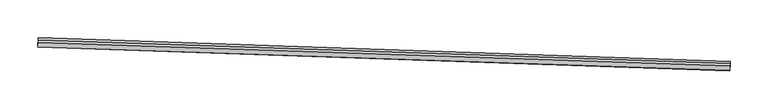
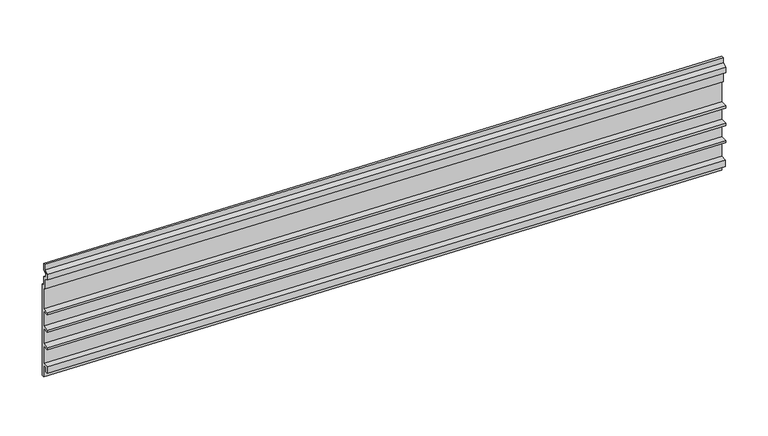
"""IFC4 building model written with IfcOpenShell, lengths in millimetres: proxy geometry."""

from ifc_helpers import new_model, si_unit, frame, origin, place, context, project, spatial, polyline, outline, extrude, source, transform, mapped, element, save


def generic_models_cd778c13(model_context):
    return source(origin(), model_context, "Body", "SweptSolid", [
        extrude(outline(polyline([(-3.1749999, 0.0), (0.0, 0.0), (0.0, 12.7), (5.4236225, 15.2290767), (5.4236225, 19.6959233), (0.0, 22.225), (0.0, 31.75), (3.175, 31.75), (3.175, 24.247698), (9.2139907, 21.4316705), (9.2139907, 13.4933295), (3.175, 10.6773019), (3.175, -3.175), (0.0, -3.175), (0.0, -34.13125), (9.525, -34.13125), (9.525, -37.30625), (0.0, -37.30625), (0.0, -59.53125), (9.525, -59.53125), (9.525, -62.70625), (0.0, -62.70625), (0.0, -84.93125), (9.525, -84.93125), (9.525, -88.10625), (0.0, -88.10625), (0.0, -113.50625), (8.8104385, -113.50625), (8.8104385, -123.03125), (4.9129906, -123.03125), (4.9129906, -116.68125), (0.0, -116.68125), (0.0, -133.35), (-3.1749999, -133.35), (-3.1749999, 0.0)])), frame((34376.7362962, -14832.2247215, 3403.6069019), z_axis=(-0.9994149479166007, 0.03420178183747702, 0.0), x_axis=(-0.03420178183747702, -0.9994149479166007, 0.0)), (0.0, 0.0, 1.0), 914.4),
    ])


if __name__ == "__main__":
    model = new_model("IFC4")
    model_context = context("Model", 3, world=origin())
    ifc_project = project(units=[si_unit("LENGTHUNIT", "METRE", prefix="MILLI")], contexts=[model_context])
    site = spatial("IfcSite", under=ifc_project)
    building = spatial("IfcBuilding", under=site)
    placement = place(None, origin())
    generic_models_shape = generic_models_cd778c13(model_context)
    element("IfcBuildingElementProxy", 1, Name="Generic Models", at=placement, inside=building, context=model_context, shape_type="MappedRepresentation", body=[
        mapped(generic_models_shape, transform((0.0, 0.0, 0.0), x_axis=(1.0, 0.0, 0.0), y_axis=(0.0, 1.0, 0.0), z_axis=(0.0, 0.0, 1.0))),
    ])
    save(model, "model.ifc")
